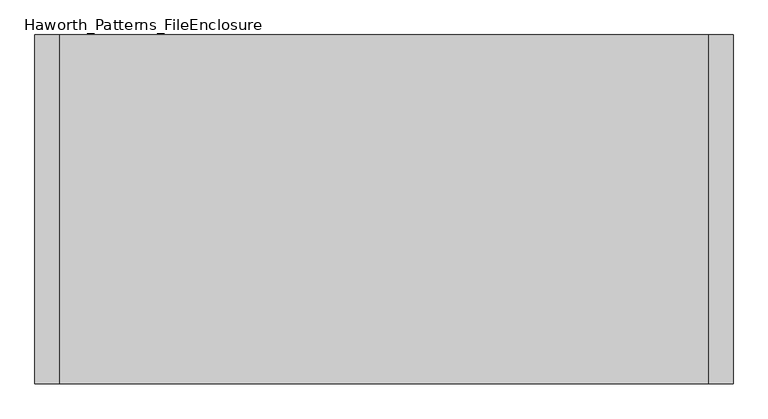
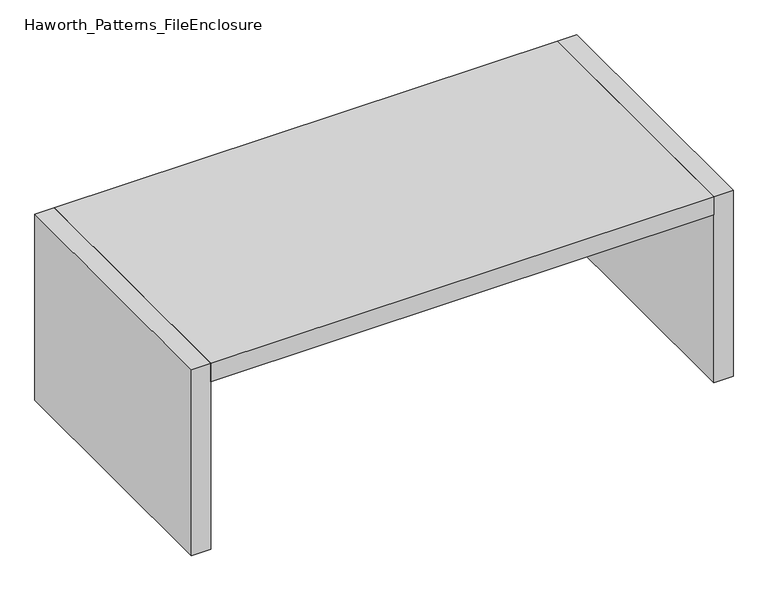
"""IFC4 building model written with IfcOpenShell, lengths in millimetres: furniture geometry, Haworth_Patterns_FileEnclosure."""

from ifc_helpers import new_model, si_unit, frame, origin, origin_with_axes, place, context, project, spatial, polyline, outline, extrude, source, transform, mapped, element, save


def haworth_patterns_fileenclosure_08085faf(model_context):
    return source(origin(), model_context, "Body", "SweptSolid", [
        extrude(outline(polyline([(990.6, 0.0), (990.6, -1066.8), (-990.6, -1066.8), (-990.6, 0.0), (990.6, 0.0)])), frame((0.0, 0.0, 698.5), z_axis=(0.0, 0.0, 1.0), x_axis=(1.0, 0.0, 0.0)), (0.0, 0.0, 1.0), 76.2),
        extrude(outline(polyline([(990.6, 0.0), (1066.8, 0.0), (1066.8, -1066.8), (990.6, -1066.8), (990.6, 0.0)])), origin_with_axes(), (0.0, 0.0, 1.0), 774.7),
        extrude(outline(polyline([(-990.6, 0.0), (-990.6, -1066.8), (-1066.8, -1066.8), (-1066.8, 0.0), (-990.6, 0.0)])), origin_with_axes(), (0.0, 0.0, 1.0), 774.7),
    ])


if __name__ == "__main__":
    model = new_model("IFC4")
    model_context = context("Model", 3, world=origin())
    ifc_project = project(units=[si_unit("LENGTHUNIT", "METRE", prefix="MILLI")], contexts=[model_context])
    site = spatial("IfcSite", under=ifc_project)
    building = spatial("IfcBuilding", under=site)
    placement = place(None, origin())
    haworth_patterns_fileenclosure_shape = haworth_patterns_fileenclosure_08085faf(model_context)
    element("IfcFurniture", 1, ObjectType="Haworth_Patterns_FileEnclosure", at=placement, inside=building, context=model_context, shape_type="MappedRepresentation", body=[
        mapped(haworth_patterns_fileenclosure_shape, transform((0.0, 0.0, 0.0), x_axis=(1.0, 0.0, 0.0), y_axis=(0.0, 1.0, 0.0), z_axis=(0.0, 0.0, 1.0))),
    ])
    save(model, "model.ifc")
